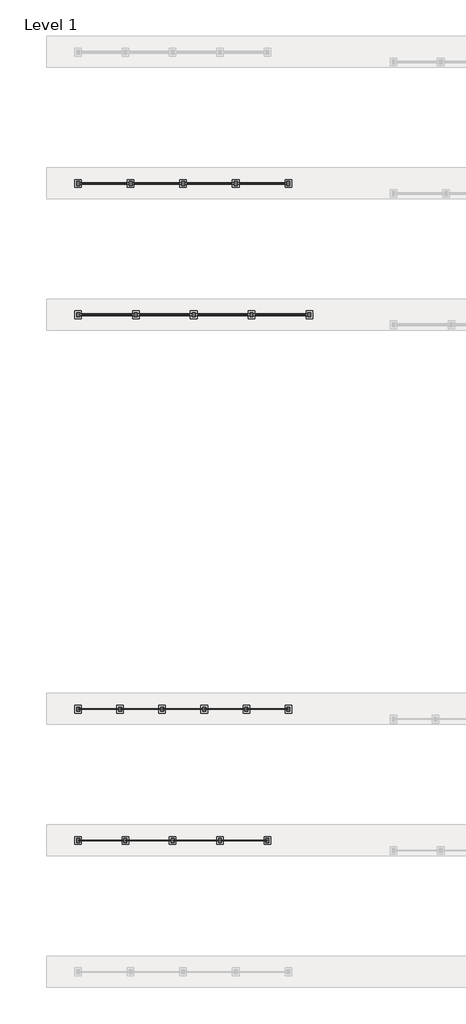
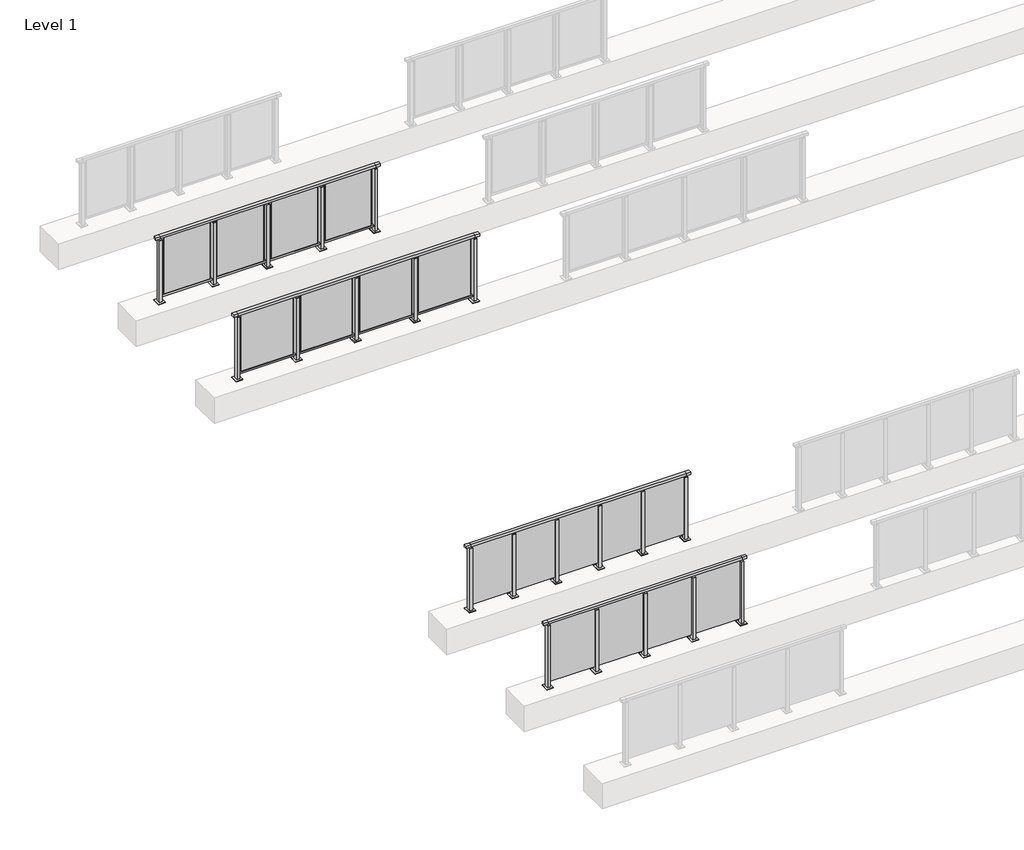
# One storey, part 29 of 38: 4 railings.
"""IFC4 building model written with IfcOpenShell, lengths in millimetres."""

from ifc_helpers import new_model, si_unit, frame, origin, origin_with_axes, place, context, project, spatial, polyline, outline, extrude, faceted_brep, element, save

model = new_model("IFC4")

# Units and contexts
model_context = context("Model", 3, world=origin())
ifc_project = project(units=[si_unit("LENGTHUNIT", "METRE", prefix="MILLI")], contexts=[model_context])

# Site, building, storey
site = spatial("IfcSite", under=ifc_project)
building = spatial("IfcBuilding", under=site)
storey = spatial("IfcBuildingStorey", under=building, Name="Level 1", Elevation=0.0)

# Railings
placement = place(None, origin())
element("IfcRailing", 1, at=placement, inside=storey, context=model_context, shape_type="SolidModel", body=[
    faceted_brep([(29476.1884576, 35220.1846828, 1252.5), (29476.1884576, 35220.1846828, 1300.0), (33076.1884576, 35220.1846828, 1300.0), (33076.1884576, 35220.1846828, 1252.5), (29476.1884576, 35160.1846828, 1252.5), (33076.1884576, 35160.1846828, 1252.5), (29476.1884576, 35160.1846828, 1300.0), (33076.1884576, 35160.1846828, 1300.0), (29388.6884576, 35220.1846828, 1300.0), (29388.6884576, 35220.1846828, 1252.5), (29388.6884576, 35160.1846828, 1252.5), (29388.6884576, 35160.1846828, 1300.0), (33163.6884576, 35220.1846828, 1300.0), (33163.6884576, 35160.1846828, 1300.0), (33163.6884576, 35160.1846828, 1252.5), (33163.6884576, 35220.1846828, 1252.5)], [[[0, 1, 2, 3]], [[4, 0, 3, 5]], [[6, 4, 5, 7]], [[1, 6, 7, 2]], [[8, 9, 10, 11]], [[9, 8, 1, 0]], [[10, 9, 0, 4]], [[11, 10, 4, 6]], [[8, 11, 6, 1]], [[12, 13, 14, 15]], [[3, 2, 12, 15]], [[5, 3, 15, 14]], [[7, 5, 14, 13]], [[2, 7, 13, 12]]]),
    extrude(outline(polyline([(32186.1884576, 35196.9598727), (33066.1884576, 35196.9598727), (33066.1884576, 35184.9598727), (32186.1884576, 35184.9598727), (32186.1884576, 35196.9598727)])), frame((0.0, 0.0, 95.0), z_axis=(0.0, 0.0, 1.0), x_axis=(1.0, 0.0, 0.0)), (0.0, 0.0, 1.0), 1160.0),
    extrude(outline(polyline([(32203.1884576, 35151.1846828), (32149.1884576, 35151.1846828), (32149.1884576, 35229.1846828), (32203.1884576, 35229.1846828), (32203.1884576, 35151.1846828)])), frame((0.0, 0.0, 12.0), z_axis=(0.0, 0.0, 1.0), x_axis=(1.0, 0.0, 0.0)), (0.0, 0.0, 1.0), 1215.0),
    extrude(outline(polyline([(32186.1884576, 35180.1846828), (32166.1884576, 35180.1846828), (32166.1884576, 35200.1846828), (32186.1884576, 35200.1846828), (32186.1884576, 35180.1846828)])), frame((0.0, 0.0, 1235.0), z_axis=(0.0, 0.0, 1.0), x_axis=(1.0, 0.0, 0.0)), (0.0, 0.0, 1.0), 20.0),
    extrude(outline(polyline([(32203.1884576, 35151.1846828), (32149.1884576, 35151.1846828), (32149.1884576, 35229.1846828), (32203.1884576, 35229.1846828), (32203.1884576, 35151.1846828)])), frame((0.0, 0.0, 1227.0), z_axis=(0.0, 0.0, 1.0), x_axis=(1.0, 0.0, 0.0)), (0.0, 0.0, 1.0), 8.0),
    extrude(outline(polyline([(32238.6884576, 35115.1846828), (32113.6884576, 35115.1846828), (32113.6884576, 35265.1846828), (32238.6884576, 35265.1846828), (32238.6884576, 35115.1846828)])), origin_with_axes(), (0.0, 0.0, 1.0), 12.0),
    extrude(outline(polyline([(31286.1884576, 35196.9598727), (32166.1884576, 35196.9598727), (32166.1884576, 35184.9598727), (31286.1884576, 35184.9598727), (31286.1884576, 35196.9598727)])), frame((0.0, 0.0, 95.0), z_axis=(0.0, 0.0, 1.0), x_axis=(1.0, 0.0, 0.0)), (0.0, 0.0, 1.0), 1160.0),
    extrude(outline(polyline([(31303.1884576, 35151.1846828), (31249.1884576, 35151.1846828), (31249.1884576, 35229.1846828), (31303.1884576, 35229.1846828), (31303.1884576, 35151.1846828)])), frame((0.0, 0.0, 12.0), z_axis=(0.0, 0.0, 1.0), x_axis=(1.0, 0.0, 0.0)), (0.0, 0.0, 1.0), 1215.0),
    extrude(outline(polyline([(31286.1884576, 35180.1846828), (31266.1884576, 35180.1846828), (31266.1884576, 35200.1846828), (31286.1884576, 35200.1846828), (31286.1884576, 35180.1846828)])), frame((0.0, 0.0, 1235.0), z_axis=(0.0, 0.0, 1.0), x_axis=(1.0, 0.0, 0.0)), (0.0, 0.0, 1.0), 20.0),
    extrude(outline(polyline([(31303.1884576, 35151.1846828), (31249.1884576, 35151.1846828), (31249.1884576, 35229.1846828), (31303.1884576, 35229.1846828), (31303.1884576, 35151.1846828)])), frame((0.0, 0.0, 1227.0), z_axis=(0.0, 0.0, 1.0), x_axis=(1.0, 0.0, 0.0)), (0.0, 0.0, 1.0), 8.0),
    extrude(outline(polyline([(31338.6884576, 35115.1846828), (31213.6884576, 35115.1846828), (31213.6884576, 35265.1846828), (31338.6884576, 35265.1846828), (31338.6884576, 35115.1846828)])), origin_with_axes(), (0.0, 0.0, 1.0), 12.0),
    extrude(outline(polyline([(30386.1884576, 35196.9598727), (31266.1884576, 35196.9598727), (31266.1884576, 35184.9598727), (30386.1884576, 35184.9598727), (30386.1884576, 35196.9598727)])), frame((0.0, 0.0, 95.0), z_axis=(0.0, 0.0, 1.0), x_axis=(1.0, 0.0, 0.0)), (0.0, 0.0, 1.0), 1160.0),
    extrude(outline(polyline([(30403.1884576, 35151.1846828), (30349.1884576, 35151.1846828), (30349.1884576, 35229.1846828), (30403.1884576, 35229.1846828), (30403.1884576, 35151.1846828)])), frame((0.0, 0.0, 12.0), z_axis=(0.0, 0.0, 1.0), x_axis=(1.0, 0.0, 0.0)), (0.0, 0.0, 1.0), 1215.0),
    extrude(outline(polyline([(30386.1884576, 35180.1846828), (30366.1884576, 35180.1846828), (30366.1884576, 35200.1846828), (30386.1884576, 35200.1846828), (30386.1884576, 35180.1846828)])), frame((0.0, 0.0, 1235.0), z_axis=(0.0, 0.0, 1.0), x_axis=(1.0, 0.0, 0.0)), (0.0, 0.0, 1.0), 20.0),
    extrude(outline(polyline([(30403.1884576, 35151.1846828), (30349.1884576, 35151.1846828), (30349.1884576, 35229.1846828), (30403.1884576, 35229.1846828), (30403.1884576, 35151.1846828)])), frame((0.0, 0.0, 1227.0), z_axis=(0.0, 0.0, 1.0), x_axis=(1.0, 0.0, 0.0)), (0.0, 0.0, 1.0), 8.0),
    extrude(outline(polyline([(30438.6884576, 35115.1846828), (30313.6884576, 35115.1846828), (30313.6884576, 35265.1846828), (30438.6884576, 35265.1846828), (30438.6884576, 35115.1846828)])), origin_with_axes(), (0.0, 0.0, 1.0), 12.0),
    extrude(outline(polyline([(29486.1884576, 35196.9598727), (30366.1884576, 35196.9598727), (30366.1884576, 35184.9598727), (29486.1884576, 35184.9598727), (29486.1884576, 35196.9598727)])), frame((0.0, 0.0, 95.0), z_axis=(0.0, 0.0, 1.0), x_axis=(1.0, 0.0, 0.0)), (0.0, 0.0, 1.0), 1160.0),
    extrude(outline(polyline([(33103.1884576, 35151.1846828), (33049.1884576, 35151.1846828), (33049.1884576, 35229.1846828), (33103.1884576, 35229.1846828), (33103.1884576, 35151.1846828)])), frame((0.0, 0.0, 12.0), z_axis=(0.0, 0.0, 1.0), x_axis=(1.0, 0.0, 0.0)), (0.0, 0.0, 1.0), 1215.0),
    extrude(outline(polyline([(33086.1884576, 35180.1846828), (33066.1884576, 35180.1846828), (33066.1884576, 35200.1846828), (33086.1884576, 35200.1846828), (33086.1884576, 35180.1846828)])), frame((0.0, 0.0, 1235.0), z_axis=(0.0, 0.0, 1.0), x_axis=(1.0, 0.0, 0.0)), (0.0, 0.0, 1.0), 20.0),
    extrude(outline(polyline([(33103.1884576, 35151.1846828), (33049.1884576, 35151.1846828), (33049.1884576, 35229.1846828), (33103.1884576, 35229.1846828), (33103.1884576, 35151.1846828)])), frame((0.0, 0.0, 1227.0), z_axis=(0.0, 0.0, 1.0), x_axis=(1.0, 0.0, 0.0)), (0.0, 0.0, 1.0), 8.0),
    extrude(outline(polyline([(33138.6884576, 35115.1846828), (33013.6884576, 35115.1846828), (33013.6884576, 35265.1846828), (33138.6884576, 35265.1846828), (33138.6884576, 35115.1846828)])), origin_with_axes(), (0.0, 0.0, 1.0), 12.0),
    extrude(outline(polyline([(29503.1884576, 35151.1846828), (29449.1884576, 35151.1846828), (29449.1884576, 35229.1846828), (29503.1884576, 35229.1846828), (29503.1884576, 35151.1846828)])), frame((0.0, 0.0, 12.0), z_axis=(0.0, 0.0, 1.0), x_axis=(1.0, 0.0, 0.0)), (0.0, 0.0, 1.0), 1215.0),
    extrude(outline(polyline([(29486.1884576, 35180.1846828), (29466.1884576, 35180.1846828), (29466.1884576, 35200.1846828), (29486.1884576, 35200.1846828), (29486.1884576, 35180.1846828)])), frame((0.0, 0.0, 1235.0), z_axis=(0.0, 0.0, 1.0), x_axis=(1.0, 0.0, 0.0)), (0.0, 0.0, 1.0), 20.0),
    extrude(outline(polyline([(29503.1884576, 35151.1846828), (29449.1884576, 35151.1846828), (29449.1884576, 35229.1846828), (29503.1884576, 35229.1846828), (29503.1884576, 35151.1846828)])), frame((0.0, 0.0, 1227.0), z_axis=(0.0, 0.0, 1.0), x_axis=(1.0, 0.0, 0.0)), (0.0, 0.0, 1.0), 8.0),
    extrude(outline(polyline([(29538.6884576, 35115.1846828), (29413.6884576, 35115.1846828), (29413.6884576, 35265.1846828), (29538.6884576, 35265.1846828), (29538.6884576, 35115.1846828)])), origin_with_axes(), (0.0, 0.0, 1.0), 12.0),
])
element("IfcRailing", 2, at=placement, inside=storey, context=model_context, shape_type="SolidModel", body=[
    faceted_brep([(29476.1884576, 37720.1846828, 1252.5), (29476.1884576, 37720.1846828, 1300.0), (33476.1884576, 37720.1846828, 1300.0), (33476.1884576, 37720.1846828, 1252.5), (29476.1884576, 37660.1846828, 1252.5), (33476.1884576, 37660.1846828, 1252.5), (29476.1884576, 37660.1846828, 1300.0), (33476.1884576, 37660.1846828, 1300.0), (29388.6884576, 37720.1846828, 1300.0), (29388.6884576, 37720.1846828, 1252.5), (29388.6884576, 37660.1846828, 1252.5), (29388.6884576, 37660.1846828, 1300.0), (33563.6884576, 37720.1846828, 1300.0), (33563.6884576, 37660.1846828, 1300.0), (33563.6884576, 37660.1846828, 1252.5), (33563.6884576, 37720.1846828, 1252.5)], [[[0, 1, 2, 3]], [[4, 0, 3, 5]], [[6, 4, 5, 7]], [[1, 6, 7, 2]], [[8, 9, 10, 11]], [[9, 8, 1, 0]], [[10, 9, 0, 4]], [[11, 10, 4, 6]], [[8, 11, 6, 1]], [[12, 13, 14, 15]], [[3, 2, 12, 15]], [[5, 3, 15, 14]], [[7, 5, 14, 13]], [[2, 7, 13, 12]]]),
    extrude(outline(polyline([(32686.1884576, 37696.9598727), (33466.1884576, 37696.9598727), (33466.1884576, 37684.9598727), (32686.1884576, 37684.9598727), (32686.1884576, 37696.9598727)])), frame((0.0, 0.0, 95.0), z_axis=(0.0, 0.0, 1.0), x_axis=(1.0, 0.0, 0.0)), (0.0, 0.0, 1.0), 1160.0),
    extrude(outline(polyline([(32703.1884576, 37651.1846828), (32649.1884576, 37651.1846828), (32649.1884576, 37729.1846828), (32703.1884576, 37729.1846828), (32703.1884576, 37651.1846828)])), frame((0.0, 0.0, 12.0), z_axis=(0.0, 0.0, 1.0), x_axis=(1.0, 0.0, 0.0)), (0.0, 0.0, 1.0), 1215.0),
    extrude(outline(polyline([(32686.1884576, 37680.1846828), (32666.1884576, 37680.1846828), (32666.1884576, 37700.1846828), (32686.1884576, 37700.1846828), (32686.1884576, 37680.1846828)])), frame((0.0, 0.0, 1235.0), z_axis=(0.0, 0.0, 1.0), x_axis=(1.0, 0.0, 0.0)), (0.0, 0.0, 1.0), 20.0),
    extrude(outline(polyline([(32703.1884576, 37651.1846828), (32649.1884576, 37651.1846828), (32649.1884576, 37729.1846828), (32703.1884576, 37729.1846828), (32703.1884576, 37651.1846828)])), frame((0.0, 0.0, 1227.0), z_axis=(0.0, 0.0, 1.0), x_axis=(1.0, 0.0, 0.0)), (0.0, 0.0, 1.0), 8.0),
    extrude(outline(polyline([(32738.6884576, 37615.1846828), (32613.6884576, 37615.1846828), (32613.6884576, 37765.1846828), (32738.6884576, 37765.1846828), (32738.6884576, 37615.1846828)])), origin_with_axes(), (0.0, 0.0, 1.0), 12.0),
    extrude(outline(polyline([(31886.1884576, 37696.9598727), (32666.1884576, 37696.9598727), (32666.1884576, 37684.9598727), (31886.1884576, 37684.9598727), (31886.1884576, 37696.9598727)])), frame((0.0, 0.0, 95.0), z_axis=(0.0, 0.0, 1.0), x_axis=(1.0, 0.0, 0.0)), (0.0, 0.0, 1.0), 1160.0),
    extrude(outline(polyline([(31903.1884576, 37651.1846828), (31849.1884576, 37651.1846828), (31849.1884576, 37729.1846828), (31903.1884576, 37729.1846828), (31903.1884576, 37651.1846828)])), frame((0.0, 0.0, 12.0), z_axis=(0.0, 0.0, 1.0), x_axis=(1.0, 0.0, 0.0)), (0.0, 0.0, 1.0), 1215.0),
    extrude(outline(polyline([(31886.1884576, 37680.1846828), (31866.1884576, 37680.1846828), (31866.1884576, 37700.1846828), (31886.1884576, 37700.1846828), (31886.1884576, 37680.1846828)])), frame((0.0, 0.0, 1235.0), z_axis=(0.0, 0.0, 1.0), x_axis=(1.0, 0.0, 0.0)), (0.0, 0.0, 1.0), 20.0),
    extrude(outline(polyline([(31903.1884576, 37651.1846828), (31849.1884576, 37651.1846828), (31849.1884576, 37729.1846828), (31903.1884576, 37729.1846828), (31903.1884576, 37651.1846828)])), frame((0.0, 0.0, 1227.0), z_axis=(0.0, 0.0, 1.0), x_axis=(1.0, 0.0, 0.0)), (0.0, 0.0, 1.0), 8.0),
    extrude(outline(polyline([(31938.6884576, 37615.1846828), (31813.6884576, 37615.1846828), (31813.6884576, 37765.1846828), (31938.6884576, 37765.1846828), (31938.6884576, 37615.1846828)])), origin_with_axes(), (0.0, 0.0, 1.0), 12.0),
    extrude(outline(polyline([(31086.1884576, 37696.9598727), (31866.1884576, 37696.9598727), (31866.1884576, 37684.9598727), (31086.1884576, 37684.9598727), (31086.1884576, 37696.9598727)])), frame((0.0, 0.0, 95.0), z_axis=(0.0, 0.0, 1.0), x_axis=(1.0, 0.0, 0.0)), (0.0, 0.0, 1.0), 1160.0),
    extrude(outline(polyline([(31103.1884576, 37651.1846828), (31049.1884576, 37651.1846828), (31049.1884576, 37729.1846828), (31103.1884576, 37729.1846828), (31103.1884576, 37651.1846828)])), frame((0.0, 0.0, 12.0), z_axis=(0.0, 0.0, 1.0), x_axis=(1.0, 0.0, 0.0)), (0.0, 0.0, 1.0), 1215.0),
    extrude(outline(polyline([(31086.1884576, 37680.1846828), (31066.1884576, 37680.1846828), (31066.1884576, 37700.1846828), (31086.1884576, 37700.1846828), (31086.1884576, 37680.1846828)])), frame((0.0, 0.0, 1235.0), z_axis=(0.0, 0.0, 1.0), x_axis=(1.0, 0.0, 0.0)), (0.0, 0.0, 1.0), 20.0),
    extrude(outline(polyline([(31103.1884576, 37651.1846828), (31049.1884576, 37651.1846828), (31049.1884576, 37729.1846828), (31103.1884576, 37729.1846828), (31103.1884576, 37651.1846828)])), frame((0.0, 0.0, 1227.0), z_axis=(0.0, 0.0, 1.0), x_axis=(1.0, 0.0, 0.0)), (0.0, 0.0, 1.0), 8.0),
    extrude(outline(polyline([(31138.6884576, 37615.1846828), (31013.6884576, 37615.1846828), (31013.6884576, 37765.1846828), (31138.6884576, 37765.1846828), (31138.6884576, 37615.1846828)])), origin_with_axes(), (0.0, 0.0, 1.0), 12.0),
    extrude(outline(polyline([(30286.1884576, 37696.9598727), (31066.1884576, 37696.9598727), (31066.1884576, 37684.9598727), (30286.1884576, 37684.9598727), (30286.1884576, 37696.9598727)])), frame((0.0, 0.0, 95.0), z_axis=(0.0, 0.0, 1.0), x_axis=(1.0, 0.0, 0.0)), (0.0, 0.0, 1.0), 1160.0),
    extrude(outline(polyline([(30303.1884576, 37651.1846828), (30249.1884576, 37651.1846828), (30249.1884576, 37729.1846828), (30303.1884576, 37729.1846828), (30303.1884576, 37651.1846828)])), frame((0.0, 0.0, 12.0), z_axis=(0.0, 0.0, 1.0), x_axis=(1.0, 0.0, 0.0)), (0.0, 0.0, 1.0), 1215.0),
    extrude(outline(polyline([(30286.1884576, 37680.1846828), (30266.1884576, 37680.1846828), (30266.1884576, 37700.1846828), (30286.1884576, 37700.1846828), (30286.1884576, 37680.1846828)])), frame((0.0, 0.0, 1235.0), z_axis=(0.0, 0.0, 1.0), x_axis=(1.0, 0.0, 0.0)), (0.0, 0.0, 1.0), 20.0),
    extrude(outline(polyline([(30303.1884576, 37651.1846828), (30249.1884576, 37651.1846828), (30249.1884576, 37729.1846828), (30303.1884576, 37729.1846828), (30303.1884576, 37651.1846828)])), frame((0.0, 0.0, 1227.0), z_axis=(0.0, 0.0, 1.0), x_axis=(1.0, 0.0, 0.0)), (0.0, 0.0, 1.0), 8.0),
    extrude(outline(polyline([(30338.6884576, 37615.1846828), (30213.6884576, 37615.1846828), (30213.6884576, 37765.1846828), (30338.6884576, 37765.1846828), (30338.6884576, 37615.1846828)])), origin_with_axes(), (0.0, 0.0, 1.0), 12.0),
    extrude(outline(polyline([(29486.1884576, 37696.9598727), (30266.1884576, 37696.9598727), (30266.1884576, 37684.9598727), (29486.1884576, 37684.9598727), (29486.1884576, 37696.9598727)])), frame((0.0, 0.0, 95.0), z_axis=(0.0, 0.0, 1.0), x_axis=(1.0, 0.0, 0.0)), (0.0, 0.0, 1.0), 1160.0),
    extrude(outline(polyline([(33503.1884576, 37651.1846828), (33449.1884576, 37651.1846828), (33449.1884576, 37729.1846828), (33503.1884576, 37729.1846828), (33503.1884576, 37651.1846828)])), frame((0.0, 0.0, 12.0), z_axis=(0.0, 0.0, 1.0), x_axis=(1.0, 0.0, 0.0)), (0.0, 0.0, 1.0), 1215.0),
    extrude(outline(polyline([(33486.1884576, 37680.1846828), (33466.1884576, 37680.1846828), (33466.1884576, 37700.1846828), (33486.1884576, 37700.1846828), (33486.1884576, 37680.1846828)])), frame((0.0, 0.0, 1235.0), z_axis=(0.0, 0.0, 1.0), x_axis=(1.0, 0.0, 0.0)), (0.0, 0.0, 1.0), 20.0),
    extrude(outline(polyline([(33503.1884576, 37651.1846828), (33449.1884576, 37651.1846828), (33449.1884576, 37729.1846828), (33503.1884576, 37729.1846828), (33503.1884576, 37651.1846828)])), frame((0.0, 0.0, 1227.0), z_axis=(0.0, 0.0, 1.0), x_axis=(1.0, 0.0, 0.0)), (0.0, 0.0, 1.0), 8.0),
    extrude(outline(polyline([(33538.6884576, 37615.1846828), (33413.6884576, 37615.1846828), (33413.6884576, 37765.1846828), (33538.6884576, 37765.1846828), (33538.6884576, 37615.1846828)])), origin_with_axes(), (0.0, 0.0, 1.0), 12.0),
    extrude(outline(polyline([(29503.1884576, 37651.1846828), (29449.1884576, 37651.1846828), (29449.1884576, 37729.1846828), (29503.1884576, 37729.1846828), (29503.1884576, 37651.1846828)])), frame((0.0, 0.0, 12.0), z_axis=(0.0, 0.0, 1.0), x_axis=(1.0, 0.0, 0.0)), (0.0, 0.0, 1.0), 1215.0),
    extrude(outline(polyline([(29486.1884576, 37680.1846828), (29466.1884576, 37680.1846828), (29466.1884576, 37700.1846828), (29486.1884576, 37700.1846828), (29486.1884576, 37680.1846828)])), frame((0.0, 0.0, 1235.0), z_axis=(0.0, 0.0, 1.0), x_axis=(1.0, 0.0, 0.0)), (0.0, 0.0, 1.0), 20.0),
    extrude(outline(polyline([(29503.1884576, 37651.1846828), (29449.1884576, 37651.1846828), (29449.1884576, 37729.1846828), (29503.1884576, 37729.1846828), (29503.1884576, 37651.1846828)])), frame((0.0, 0.0, 1227.0), z_axis=(0.0, 0.0, 1.0), x_axis=(1.0, 0.0, 0.0)), (0.0, 0.0, 1.0), 8.0),
    extrude(outline(polyline([(29538.6884576, 37615.1846828), (29413.6884576, 37615.1846828), (29413.6884576, 37765.1846828), (29538.6884576, 37765.1846828), (29538.6884576, 37615.1846828)])), origin_with_axes(), (0.0, 0.0, 1.0), 12.0),
])
element("IfcRailing", 3, at=placement, inside=storey, context=model_context, shape_type="SolidModel", body=[
    faceted_brep([(29476.1884576, 45220.1846828, 1252.5), (29476.1884576, 45220.1846828, 1300.0), (33876.1884576, 45220.1846828, 1300.0), (33876.1884576, 45220.1846828, 1252.5), (29476.1884576, 45160.1846828, 1252.5), (33876.1884576, 45160.1846828, 1252.5), (29476.1884576, 45160.1846828, 1300.0), (33876.1884576, 45160.1846828, 1300.0), (29388.6884576, 45220.1846828, 1300.0), (29388.6884576, 45220.1846828, 1252.5), (29388.6884576, 45160.1846828, 1252.5), (29388.6884576, 45160.1846828, 1300.0), (33963.6884576, 45220.1846828, 1300.0), (33963.6884576, 45160.1846828, 1300.0), (33963.6884576, 45160.1846828, 1252.5), (33963.6884576, 45220.1846828, 1252.5)], [[[0, 1, 2, 3]], [[4, 0, 3, 5]], [[6, 4, 5, 7]], [[1, 6, 7, 2]], [[8, 9, 10, 11]], [[9, 8, 1, 0]], [[10, 9, 0, 4]], [[11, 10, 4, 6]], [[8, 11, 6, 1]], [[12, 13, 14, 15]], [[3, 2, 12, 15]], [[5, 3, 15, 14]], [[7, 5, 14, 13]], [[2, 7, 13, 12]]]),
    extrude(outline(polyline([(29476.1884576, 45172.1846828), (29476.1884576, 45208.1846828), (33876.1884576, 45208.1846828), (33876.1884576, 45172.1846828), (29476.1884576, 45172.1846828)])), frame((0.0, 0.0, 93.0), z_axis=(0.0, 0.0, 1.0), x_axis=(1.0, 0.0, 0.0)), (0.0, 0.0, 1.0), 32.0),
    extrude(outline(polyline([(32848.6884576, 45193.9598727), (33803.6884576, 45193.9598727), (33803.6884576, 45183.9598727), (32848.6884576, 45183.9598727), (32848.6884576, 45193.9598727)])), frame((0.0, 0.0, 125.0), z_axis=(0.0, 0.0, 1.0), x_axis=(1.0, 0.0, 0.0)), (0.0, 0.0, 1.0), 1130.0),
    extrude(outline(polyline([(32803.1884576, 45151.1846828), (32749.1884576, 45151.1846828), (32749.1884576, 45229.1846828), (32803.1884576, 45229.1846828), (32803.1884576, 45151.1846828)])), frame((0.0, 0.0, 12.0), z_axis=(0.0, 0.0, 1.0), x_axis=(1.0, 0.0, 0.0)), (0.0, 0.0, 1.0), 1215.0),
    extrude(outline(polyline([(32786.1884576, 45180.1846828), (32766.1884576, 45180.1846828), (32766.1884576, 45200.1846828), (32786.1884576, 45200.1846828), (32786.1884576, 45180.1846828)])), frame((0.0, 0.0, 1235.0), z_axis=(0.0, 0.0, 1.0), x_axis=(1.0, 0.0, 0.0)), (0.0, 0.0, 1.0), 20.0),
    extrude(outline(polyline([(32803.1884576, 45151.1846828), (32749.1884576, 45151.1846828), (32749.1884576, 45229.1846828), (32803.1884576, 45229.1846828), (32803.1884576, 45151.1846828)])), frame((0.0, 0.0, 1227.0), z_axis=(0.0, 0.0, 1.0), x_axis=(1.0, 0.0, 0.0)), (0.0, 0.0, 1.0), 8.0),
    extrude(outline(polyline([(32838.6884576, 45115.1846828), (32713.6884576, 45115.1846828), (32713.6884576, 45265.1846828), (32838.6884576, 45265.1846828), (32838.6884576, 45115.1846828)])), origin_with_axes(), (0.0, 0.0, 1.0), 12.0),
    extrude(outline(polyline([(31748.6884576, 45193.9598727), (32703.6884576, 45193.9598727), (32703.6884576, 45183.9598727), (31748.6884576, 45183.9598727), (31748.6884576, 45193.9598727)])), frame((0.0, 0.0, 125.0), z_axis=(0.0, 0.0, 1.0), x_axis=(1.0, 0.0, 0.0)), (0.0, 0.0, 1.0), 1130.0),
    extrude(outline(polyline([(31703.1884576, 45151.1846828), (31649.1884576, 45151.1846828), (31649.1884576, 45229.1846828), (31703.1884576, 45229.1846828), (31703.1884576, 45151.1846828)])), frame((0.0, 0.0, 12.0), z_axis=(0.0, 0.0, 1.0), x_axis=(1.0, 0.0, 0.0)), (0.0, 0.0, 1.0), 1215.0),
    extrude(outline(polyline([(31686.1884576, 45180.1846828), (31666.1884576, 45180.1846828), (31666.1884576, 45200.1846828), (31686.1884576, 45200.1846828), (31686.1884576, 45180.1846828)])), frame((0.0, 0.0, 1235.0), z_axis=(0.0, 0.0, 1.0), x_axis=(1.0, 0.0, 0.0)), (0.0, 0.0, 1.0), 20.0),
    extrude(outline(polyline([(31703.1884576, 45151.1846828), (31649.1884576, 45151.1846828), (31649.1884576, 45229.1846828), (31703.1884576, 45229.1846828), (31703.1884576, 45151.1846828)])), frame((0.0, 0.0, 1227.0), z_axis=(0.0, 0.0, 1.0), x_axis=(1.0, 0.0, 0.0)), (0.0, 0.0, 1.0), 8.0),
    extrude(outline(polyline([(31738.6884576, 45115.1846828), (31613.6884576, 45115.1846828), (31613.6884576, 45265.1846828), (31738.6884576, 45265.1846828), (31738.6884576, 45115.1846828)])), origin_with_axes(), (0.0, 0.0, 1.0), 12.0),
    extrude(outline(polyline([(30648.6884576, 45193.9598727), (31603.6884576, 45193.9598727), (31603.6884576, 45183.9598727), (30648.6884576, 45183.9598727), (30648.6884576, 45193.9598727)])), frame((0.0, 0.0, 125.0), z_axis=(0.0, 0.0, 1.0), x_axis=(1.0, 0.0, 0.0)), (0.0, 0.0, 1.0), 1130.0),
    extrude(outline(polyline([(30603.1884576, 45151.1846828), (30549.1884576, 45151.1846828), (30549.1884576, 45229.1846828), (30603.1884576, 45229.1846828), (30603.1884576, 45151.1846828)])), frame((0.0, 0.0, 12.0), z_axis=(0.0, 0.0, 1.0), x_axis=(1.0, 0.0, 0.0)), (0.0, 0.0, 1.0), 1215.0),
    extrude(outline(polyline([(30586.1884576, 45180.1846828), (30566.1884576, 45180.1846828), (30566.1884576, 45200.1846828), (30586.1884576, 45200.1846828), (30586.1884576, 45180.1846828)])), frame((0.0, 0.0, 1235.0), z_axis=(0.0, 0.0, 1.0), x_axis=(1.0, 0.0, 0.0)), (0.0, 0.0, 1.0), 20.0),
    extrude(outline(polyline([(30603.1884576, 45151.1846828), (30549.1884576, 45151.1846828), (30549.1884576, 45229.1846828), (30603.1884576, 45229.1846828), (30603.1884576, 45151.1846828)])), frame((0.0, 0.0, 1227.0), z_axis=(0.0, 0.0, 1.0), x_axis=(1.0, 0.0, 0.0)), (0.0, 0.0, 1.0), 8.0),
    extrude(outline(polyline([(30638.6884576, 45115.1846828), (30513.6884576, 45115.1846828), (30513.6884576, 45265.1846828), (30638.6884576, 45265.1846828), (30638.6884576, 45115.1846828)])), origin_with_axes(), (0.0, 0.0, 1.0), 12.0),
    extrude(outline(polyline([(29548.6884576, 45193.9598727), (30503.6884576, 45193.9598727), (30503.6884576, 45183.9598727), (29548.6884576, 45183.9598727), (29548.6884576, 45193.9598727)])), frame((0.0, 0.0, 125.0), z_axis=(0.0, 0.0, 1.0), x_axis=(1.0, 0.0, 0.0)), (0.0, 0.0, 1.0), 1130.0),
    extrude(outline(polyline([(33903.1884576, 45151.1846828), (33849.1884576, 45151.1846828), (33849.1884576, 45229.1846828), (33903.1884576, 45229.1846828), (33903.1884576, 45151.1846828)])), frame((0.0, 0.0, 12.0), z_axis=(0.0, 0.0, 1.0), x_axis=(1.0, 0.0, 0.0)), (0.0, 0.0, 1.0), 1215.0),
    extrude(outline(polyline([(33886.1884576, 45180.1846828), (33866.1884576, 45180.1846828), (33866.1884576, 45200.1846828), (33886.1884576, 45200.1846828), (33886.1884576, 45180.1846828)])), frame((0.0, 0.0, 1235.0), z_axis=(0.0, 0.0, 1.0), x_axis=(1.0, 0.0, 0.0)), (0.0, 0.0, 1.0), 20.0),
    extrude(outline(polyline([(33903.1884576, 45151.1846828), (33849.1884576, 45151.1846828), (33849.1884576, 45229.1846828), (33903.1884576, 45229.1846828), (33903.1884576, 45151.1846828)])), frame((0.0, 0.0, 1227.0), z_axis=(0.0, 0.0, 1.0), x_axis=(1.0, 0.0, 0.0)), (0.0, 0.0, 1.0), 8.0),
    extrude(outline(polyline([(33938.6884576, 45115.1846828), (33813.6884576, 45115.1846828), (33813.6884576, 45265.1846828), (33938.6884576, 45265.1846828), (33938.6884576, 45115.1846828)])), origin_with_axes(), (0.0, 0.0, 1.0), 12.0),
    extrude(outline(polyline([(29503.1884576, 45151.1846828), (29449.1884576, 45151.1846828), (29449.1884576, 45229.1846828), (29503.1884576, 45229.1846828), (29503.1884576, 45151.1846828)])), frame((0.0, 0.0, 12.0), z_axis=(0.0, 0.0, 1.0), x_axis=(1.0, 0.0, 0.0)), (0.0, 0.0, 1.0), 1215.0),
    extrude(outline(polyline([(29486.1884576, 45180.1846828), (29466.1884576, 45180.1846828), (29466.1884576, 45200.1846828), (29486.1884576, 45200.1846828), (29486.1884576, 45180.1846828)])), frame((0.0, 0.0, 1235.0), z_axis=(0.0, 0.0, 1.0), x_axis=(1.0, 0.0, 0.0)), (0.0, 0.0, 1.0), 20.0),
    extrude(outline(polyline([(29503.1884576, 45151.1846828), (29449.1884576, 45151.1846828), (29449.1884576, 45229.1846828), (29503.1884576, 45229.1846828), (29503.1884576, 45151.1846828)])), frame((0.0, 0.0, 1227.0), z_axis=(0.0, 0.0, 1.0), x_axis=(1.0, 0.0, 0.0)), (0.0, 0.0, 1.0), 8.0),
    extrude(outline(polyline([(29538.6884576, 45115.1846828), (29413.6884576, 45115.1846828), (29413.6884576, 45265.1846828), (29538.6884576, 45265.1846828), (29538.6884576, 45115.1846828)])), origin_with_axes(), (0.0, 0.0, 1.0), 12.0),
])
element("IfcRailing", 4, at=placement, inside=storey, context=model_context, shape_type="SolidModel", body=[
    faceted_brep([(29476.1884576, 47720.1846828, 1252.5), (29476.1884576, 47720.1846828, 1300.0), (33476.1884576, 47720.1846828, 1300.0), (33476.1884576, 47720.1846828, 1252.5), (29476.1884576, 47660.1846828, 1252.5), (33476.1884576, 47660.1846828, 1252.5), (29476.1884576, 47660.1846828, 1300.0), (33476.1884576, 47660.1846828, 1300.0), (29388.6884576, 47720.1846828, 1300.0), (29388.6884576, 47720.1846828, 1252.5), (29388.6884576, 47660.1846828, 1252.5), (29388.6884576, 47660.1846828, 1300.0), (33563.6884576, 47720.1846828, 1300.0), (33563.6884576, 47660.1846828, 1300.0), (33563.6884576, 47660.1846828, 1252.5), (33563.6884576, 47720.1846828, 1252.5)], [[[0, 1, 2, 3]], [[4, 0, 3, 5]], [[6, 4, 5, 7]], [[1, 6, 7, 2]], [[8, 9, 10, 11]], [[9, 8, 1, 0]], [[10, 9, 0, 4]], [[11, 10, 4, 6]], [[8, 11, 6, 1]], [[12, 13, 14, 15]], [[3, 2, 12, 15]], [[5, 3, 15, 14]], [[7, 5, 14, 13]], [[2, 7, 13, 12]]]),
    extrude(outline(polyline([(29476.1884576, 47672.1846828), (29476.1884576, 47708.1846828), (33476.1884576, 47708.1846828), (33476.1884576, 47672.1846828), (29476.1884576, 47672.1846828)])), frame((0.0, 0.0, 93.0), z_axis=(0.0, 0.0, 1.0), x_axis=(1.0, 0.0, 0.0)), (0.0, 0.0, 1.0), 32.0),
    extrude(outline(polyline([(32548.6884576, 47691.9598727), (33403.6884576, 47691.9598727), (33403.6884576, 47685.9598727), (32548.6884576, 47685.9598727), (32548.6884576, 47691.9598727)])), frame((0.0, 0.0, 125.0), z_axis=(0.0, 0.0, 1.0), x_axis=(1.0, 0.0, 0.0)), (0.0, 0.0, 1.0), 1130.0),
    extrude(outline(polyline([(32503.1884576, 47651.1846828), (32449.1884576, 47651.1846828), (32449.1884576, 47729.1846828), (32503.1884576, 47729.1846828), (32503.1884576, 47651.1846828)])), frame((0.0, 0.0, 12.0), z_axis=(0.0, 0.0, 1.0), x_axis=(1.0, 0.0, 0.0)), (0.0, 0.0, 1.0), 1215.0),
    extrude(outline(polyline([(32486.1884576, 47680.1846828), (32466.1884576, 47680.1846828), (32466.1884576, 47700.1846828), (32486.1884576, 47700.1846828), (32486.1884576, 47680.1846828)])), frame((0.0, 0.0, 1235.0), z_axis=(0.0, 0.0, 1.0), x_axis=(1.0, 0.0, 0.0)), (0.0, 0.0, 1.0), 20.0),
    extrude(outline(polyline([(32503.1884576, 47651.1846828), (32449.1884576, 47651.1846828), (32449.1884576, 47729.1846828), (32503.1884576, 47729.1846828), (32503.1884576, 47651.1846828)])), frame((0.0, 0.0, 1227.0), z_axis=(0.0, 0.0, 1.0), x_axis=(1.0, 0.0, 0.0)), (0.0, 0.0, 1.0), 8.0),
    extrude(outline(polyline([(32538.6884576, 47615.1846828), (32413.6884576, 47615.1846828), (32413.6884576, 47765.1846828), (32538.6884576, 47765.1846828), (32538.6884576, 47615.1846828)])), origin_with_axes(), (0.0, 0.0, 1.0), 12.0),
    extrude(outline(polyline([(31548.6884576, 47691.9598727), (32403.6884576, 47691.9598727), (32403.6884576, 47685.9598727), (31548.6884576, 47685.9598727), (31548.6884576, 47691.9598727)])), frame((0.0, 0.0, 125.0), z_axis=(0.0, 0.0, 1.0), x_axis=(1.0, 0.0, 0.0)), (0.0, 0.0, 1.0), 1130.0),
    extrude(outline(polyline([(31503.1884576, 47651.1846828), (31449.1884576, 47651.1846828), (31449.1884576, 47729.1846828), (31503.1884576, 47729.1846828), (31503.1884576, 47651.1846828)])), frame((0.0, 0.0, 12.0), z_axis=(0.0, 0.0, 1.0), x_axis=(1.0, 0.0, 0.0)), (0.0, 0.0, 1.0), 1215.0),
    extrude(outline(polyline([(31486.1884576, 47680.1846828), (31466.1884576, 47680.1846828), (31466.1884576, 47700.1846828), (31486.1884576, 47700.1846828), (31486.1884576, 47680.1846828)])), frame((0.0, 0.0, 1235.0), z_axis=(0.0, 0.0, 1.0), x_axis=(1.0, 0.0, 0.0)), (0.0, 0.0, 1.0), 20.0),
    extrude(outline(polyline([(31503.1884576, 47651.1846828), (31449.1884576, 47651.1846828), (31449.1884576, 47729.1846828), (31503.1884576, 47729.1846828), (31503.1884576, 47651.1846828)])), frame((0.0, 0.0, 1227.0), z_axis=(0.0, 0.0, 1.0), x_axis=(1.0, 0.0, 0.0)), (0.0, 0.0, 1.0), 8.0),
    extrude(outline(polyline([(31538.6884576, 47615.1846828), (31413.6884576, 47615.1846828), (31413.6884576, 47765.1846828), (31538.6884576, 47765.1846828), (31538.6884576, 47615.1846828)])), origin_with_axes(), (0.0, 0.0, 1.0), 12.0),
    extrude(outline(polyline([(30548.6884576, 47691.9598727), (31403.6884576, 47691.9598727), (31403.6884576, 47685.9598727), (30548.6884576, 47685.9598727), (30548.6884576, 47691.9598727)])), frame((0.0, 0.0, 125.0), z_axis=(0.0, 0.0, 1.0), x_axis=(1.0, 0.0, 0.0)), (0.0, 0.0, 1.0), 1130.0),
    extrude(outline(polyline([(30503.1884576, 47651.1846828), (30449.1884576, 47651.1846828), (30449.1884576, 47729.1846828), (30503.1884576, 47729.1846828), (30503.1884576, 47651.1846828)])), frame((0.0, 0.0, 12.0), z_axis=(0.0, 0.0, 1.0), x_axis=(1.0, 0.0, 0.0)), (0.0, 0.0, 1.0), 1215.0),
    extrude(outline(polyline([(30486.1884576, 47680.1846828), (30466.1884576, 47680.1846828), (30466.1884576, 47700.1846828), (30486.1884576, 47700.1846828), (30486.1884576, 47680.1846828)])), frame((0.0, 0.0, 1235.0), z_axis=(0.0, 0.0, 1.0), x_axis=(1.0, 0.0, 0.0)), (0.0, 0.0, 1.0), 20.0),
    extrude(outline(polyline([(30503.1884576, 47651.1846828), (30449.1884576, 47651.1846828), (30449.1884576, 47729.1846828), (30503.1884576, 47729.1846828), (30503.1884576, 47651.1846828)])), frame((0.0, 0.0, 1227.0), z_axis=(0.0, 0.0, 1.0), x_axis=(1.0, 0.0, 0.0)), (0.0, 0.0, 1.0), 8.0),
    extrude(outline(polyline([(30538.6884576, 47615.1846828), (30413.6884576, 47615.1846828), (30413.6884576, 47765.1846828), (30538.6884576, 47765.1846828), (30538.6884576, 47615.1846828)])), origin_with_axes(), (0.0, 0.0, 1.0), 12.0),
    extrude(outline(polyline([(29548.6884576, 47691.9598727), (30403.6884576, 47691.9598727), (30403.6884576, 47685.9598727), (29548.6884576, 47685.9598727), (29548.6884576, 47691.9598727)])), frame((0.0, 0.0, 125.0), z_axis=(0.0, 0.0, 1.0), x_axis=(1.0, 0.0, 0.0)), (0.0, 0.0, 1.0), 1130.0),
    extrude(outline(polyline([(33503.1884576, 47651.1846828), (33449.1884576, 47651.1846828), (33449.1884576, 47729.1846828), (33503.1884576, 47729.1846828), (33503.1884576, 47651.1846828)])), frame((0.0, 0.0, 12.0), z_axis=(0.0, 0.0, 1.0), x_axis=(1.0, 0.0, 0.0)), (0.0, 0.0, 1.0), 1215.0),
    extrude(outline(polyline([(33486.1884576, 47680.1846828), (33466.1884576, 47680.1846828), (33466.1884576, 47700.1846828), (33486.1884576, 47700.1846828), (33486.1884576, 47680.1846828)])), frame((0.0, 0.0, 1235.0), z_axis=(0.0, 0.0, 1.0), x_axis=(1.0, 0.0, 0.0)), (0.0, 0.0, 1.0), 20.0),
    extrude(outline(polyline([(33503.1884576, 47651.1846828), (33449.1884576, 47651.1846828), (33449.1884576, 47729.1846828), (33503.1884576, 47729.1846828), (33503.1884576, 47651.1846828)])), frame((0.0, 0.0, 1227.0), z_axis=(0.0, 0.0, 1.0), x_axis=(1.0, 0.0, 0.0)), (0.0, 0.0, 1.0), 8.0),
    extrude(outline(polyline([(33538.6884576, 47615.1846828), (33413.6884576, 47615.1846828), (33413.6884576, 47765.1846828), (33538.6884576, 47765.1846828), (33538.6884576, 47615.1846828)])), origin_with_axes(), (0.0, 0.0, 1.0), 12.0),
    extrude(outline(polyline([(29503.1884576, 47651.1846828), (29449.1884576, 47651.1846828), (29449.1884576, 47729.1846828), (29503.1884576, 47729.1846828), (29503.1884576, 47651.1846828)])), frame((0.0, 0.0, 12.0), z_axis=(0.0, 0.0, 1.0), x_axis=(1.0, 0.0, 0.0)), (0.0, 0.0, 1.0), 1215.0),
    extrude(outline(polyline([(29486.1884576, 47680.1846828), (29466.1884576, 47680.1846828), (29466.1884576, 47700.1846828), (29486.1884576, 47700.1846828), (29486.1884576, 47680.1846828)])), frame((0.0, 0.0, 1235.0), z_axis=(0.0, 0.0, 1.0), x_axis=(1.0, 0.0, 0.0)), (0.0, 0.0, 1.0), 20.0),
    extrude(outline(polyline([(29503.1884576, 47651.1846828), (29449.1884576, 47651.1846828), (29449.1884576, 47729.1846828), (29503.1884576, 47729.1846828), (29503.1884576, 47651.1846828)])), frame((0.0, 0.0, 1227.0), z_axis=(0.0, 0.0, 1.0), x_axis=(1.0, 0.0, 0.0)), (0.0, 0.0, 1.0), 8.0),
    extrude(outline(polyline([(29538.6884576, 47615.1846828), (29413.6884576, 47615.1846828), (29413.6884576, 47765.1846828), (29538.6884576, 47765.1846828), (29538.6884576, 47615.1846828)])), origin_with_axes(), (0.0, 0.0, 1.0), 12.0),
])

save(model, "model.ifc")
